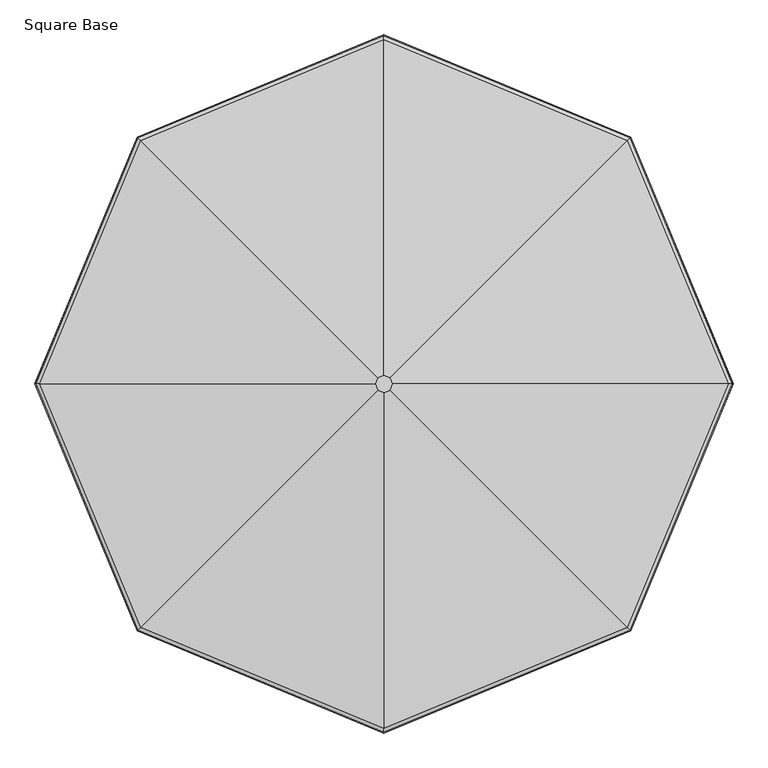
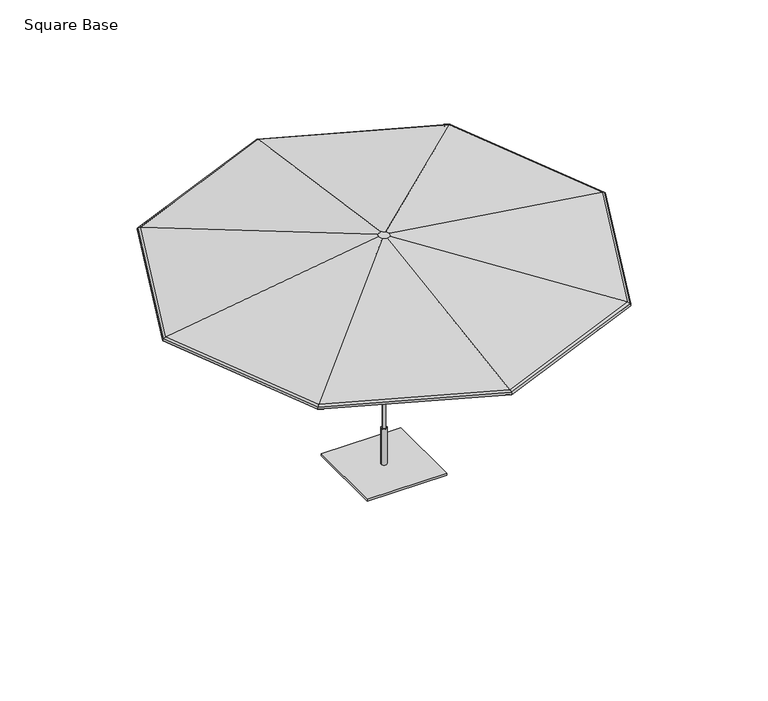
"""IFC4 building model written with IfcOpenShell, lengths in millimetres: furniture geometry, Square Base."""

from ifc_helpers import new_model, si_unit, frame, origin, origin_with_axes, place, context, project, spatial, polyline, circle_curve, ellipse_curve, outline, extrude, source, transform, mapped, element, save
from ifc_brep_helpers import plane_surface, cylinder_surface, revolved_surface, advanced_brep


def square_base_9af06586(model_context):
    return source(origin(), model_context, "Body", "SolidModel", [
        advanced_brep(
        [(45.1473013, -49.177191, 2808.3297455), (1777.9707816, -1782.0006193, 2450.3102328), (2514.4303084, -4.0299408, 2450.3102328), (63.8479036, -4.0299408, 2808.3297455), (1777.9707816, 1773.9407377, 2450.3102328), (45.1473013, 41.1173094, 2808.3297455), (0.0, 2510.4003698, 2450.3102328), (0.0, 59.8179344, 2808.3297455), (-1777.9707816, 1773.9407377, 2450.3102328), (-45.1473013, 41.1173094, 2808.3297455), (-2514.4303084, -4.0299408, 2450.3102328), (-63.8479036, -4.0299408, 2808.3297455), (-1777.9707816, -1782.0006193, 2450.3102328), (-45.1473013, -49.177191, 2808.3297455), (0.0, -2518.4602513, 2450.3102328), (0.0, -67.877816, 2808.3297455), (44.8728133, -48.902703, 2803.765683), (0.0, -67.4896313, 2803.765683), (-44.8728133, -48.902703, 2803.765683), (-63.4597189, -4.0299408, 2803.765683), (-44.8728133, 40.8428214, 2803.765683), (0.0, 59.4297498, 2803.765683), (44.8728133, 40.8428214, 2803.765683), (63.4597189, -4.0299408, 2803.765683), (1777.4251744, -1781.4550121, 2445.8021864), (2513.6587033, -4.0299408, 2445.8021864), (1796.8087591, -1800.8385962, 2431.8908847), (2541.071231, -4.0299408, 2431.8908847), (1799.7904474, -1803.8202844, 2413.6368743), (2545.2879748, -4.0299408, 2413.6368743), (1803.1457838, -1807.1756208, 2412.3647308), (2550.0331371, -4.0299408, 2412.3647308), (1799.4279591, -1803.4577961, 2434.9107454), (2544.775339, -4.0299408, 2434.9107454), (1777.4251744, 1773.3951306, 2445.8021864), (1796.8087591, 1792.7787146, 2431.8908847), (1799.7904474, 1795.7604028, 2413.6368743), (1803.1457838, 1799.1157392, 2412.3647308), (1799.4279591, 1795.3979145, 2434.9107454), (0.0, 2509.6287647, 2445.8021864), (0.0, 2537.0412927, 2431.8908847), (0.0, 2541.2580366, 2413.6368743), (0.0, 2546.0031989, 2412.3647308), (0.0, 2540.7454007, 2434.9107454), (-1777.4251744, 1773.3951306, 2445.8021864), (-1796.8087591, 1792.7787146, 2431.8908847), (-1799.7904474, 1795.7604028, 2413.6368743), (-1803.1457838, 1799.1157392, 2412.3647308), (-1799.4279591, 1795.3979145, 2434.9107454), (-2513.6587033, -4.0299408, 2445.8021864), (-2541.071231, -4.0299408, 2431.8908847), (-2545.2879748, -4.0299408, 2413.6368743), (-2550.0331371, -4.0299408, 2412.3647308), (-2544.775339, -4.0299408, 2434.9107454), (-1777.4251744, -1781.4550121, 2445.8021864), (-1796.8087591, -1800.8385962, 2431.8908847), (-1799.7904474, -1803.8202844, 2413.6368743), (-1803.1457838, -1807.1756208, 2412.3647308), (-1799.4279591, -1803.4577961, 2434.9107454), (0.0, -2517.6886462, 2445.8021864), (0.0, -2545.1011742, 2431.8908847), (0.0, -2549.3179182, 2413.6368743), (0.0, -2554.0630804, 2412.3647308), (0.0, -2548.8052823, 2434.9107454)],
        [
            (0, 1),
            (1, 2),
            (2, 3),
            (3, 0),
            (2, 4),
            (4, 5),
            (5, 3),
            (4, 6),
            (6, 7),
            (7, 5),
            (6, 8),
            (8, 9),
            (9, 7),
            (8, 10),
            (10, 11),
            (11, 9),
            (10, 12),
            (12, 13),
            (13, 11),
            (12, 14),
            (14, 15),
            (15, 13),
            (15, 0),
            (16, 17),
            (17, 18),
            (18, 19),
            (19, 20),
            (20, 21),
            (21, 22),
            (22, 23),
            (23, 16),
            (14, 1),
            (24, 16),
            (23, 25),
            (25, 24),
            (26, 24, ellipse_curve(frame((1772.3249333, -1776.3547712, 2403.6617523), z_axis=(-0.7071067705718669, -0.7071067918012278, 0.0), x_axis=(-0.7071067918012273, 0.7071067705718675, 0.0)), 46.1792486, 42.6640625)),
            (25, 27, ellipse_curve(frame((2506.4458734, -4.0299408, 2403.6617523), z_axis=(0.0, 1.0, 0.0), x_axis=(1.0, 0.0, 0.0)), 46.1792481, 42.6640625)),
            (27, 26),
            (28, 26, ellipse_curve(frame((1785.891869, -1789.9217065, 2419.3040309), z_axis=(-0.7071067705718669, -0.7071067918012278, 0.0), x_axis=(-0.7071067918012273, 0.7071067705718675, 0.0)), 20.5904823, 19.0231251)),
            (27, 29, ellipse_curve(frame((2525.6324174, -4.0299408, 2419.3040309), z_axis=(0.0, 1.0, 0.0), x_axis=(1.0, 0.0, 0.0)), 20.5904821, 19.0231251)),
            (29, 28),
            (30, 28, ellipse_curve(frame((1801.4759987, -1805.5058357, 2413.0362967), z_axis=(0.7071067705718669, 0.7071067918012278, 0.0), x_axis=(0.7071067918012273, -0.7071067705718675, 0.0)), 2.4707782, 2.2827014)),
            (29, 31, ellipse_curve(frame((2547.6717043, -4.0299408, 2413.0362967), z_axis=(0.0, -1.0, 0.0), x_axis=(-1.0, 0.0, 0.0)), 2.4707782, 2.2827014)),
            (31, 30),
            (32, 30, ellipse_curve(frame((1785.891869, -1789.9217065, 2419.3040309), z_axis=(0.7071067705718669, 0.7071067918012278, 0.0), x_axis=(0.7071067918012273, -0.7071067705718675, 0.0)), 25.5305879, 23.5871876)),
            (31, 33, ellipse_curve(frame((2525.6324174, -4.0299408, 2419.3040309), z_axis=(0.0, -1.0, 0.0), x_axis=(-1.0, 0.0, 0.0)), 25.5305877, 23.5871876)),
            (33, 32),
            (1, 32, ellipse_curve(frame((1772.3249333, -1776.3547712, 2403.6617523), z_axis=(0.7071067705718669, 0.7071067918012278, 0.0), x_axis=(0.7071067918012273, -0.7071067705718675, 0.0)), 51.1193542, 47.228125)),
            (33, 2, ellipse_curve(frame((2506.4458734, -4.0299408, 2403.6617523), z_axis=(0.0, -1.0, 0.0), x_axis=(-1.0, 0.0, 0.0)), 51.1193537, 47.228125)),
            (22, 34),
            (34, 25),
            (34, 35, ellipse_curve(frame((1772.3249333, 1768.2948896, 2403.6617523), z_axis=(-0.707106770571867, 0.707106791801228, 0.0), x_axis=(0.7071067918012285, 0.7071067705718665, 0.0)), 46.1792486, 42.6640625)),
            (35, 27),
            (35, 36, ellipse_curve(frame((1785.891869, 1781.8618249, 2419.3040309), z_axis=(-0.707106770571867, 0.707106791801228, 0.0), x_axis=(0.7071067918012285, 0.7071067705718665, 0.0)), 20.5904823, 19.0231251)),
            (36, 29),
            (36, 37, ellipse_curve(frame((1801.4759987, 1797.4459541, 2413.0362967), z_axis=(0.707106770571867, -0.707106791801228, 0.0), x_axis=(-0.7071067918012285, -0.7071067705718665, 0.0)), 2.4707782, 2.2827014)),
            (37, 31),
            (37, 38, ellipse_curve(frame((1785.891869, 1781.8618249, 2419.3040309), z_axis=(0.707106770571867, -0.707106791801228, 0.0), x_axis=(-0.7071067918012285, -0.7071067705718665, 0.0)), 25.5305879, 23.5871876)),
            (38, 33),
            (38, 4, ellipse_curve(frame((1772.3249333, 1768.2948896, 2403.6617523), z_axis=(0.707106770571867, -0.707106791801228, 0.0), x_axis=(-0.7071067918012285, -0.7071067705718665, 0.0)), 51.1193542, 47.228125)),
            (21, 39),
            (39, 34),
            (39, 40, ellipse_curve(frame((0.0, 2502.4159347, 2403.6617523), z_axis=(-1.0, 0.0, 0.0), x_axis=(0.0, 1.0, 0.0)), 46.1792487, 42.6640625)),
            (40, 35),
            (40, 41, ellipse_curve(frame((0.0, 2521.6024789, 2419.3040309), z_axis=(-1.0, 0.0, 0.0), x_axis=(0.0, 1.0, 0.0)), 20.5904823, 19.0231251)),
            (41, 36),
            (41, 42, ellipse_curve(frame((0.0, 2543.6417661, 2413.0362967), z_axis=(1.0, 0.0, 0.0), x_axis=(0.0, -1.0, 0.0)), 2.4707782, 2.2827014)),
            (42, 37),
            (42, 43, ellipse_curve(frame((0.0, 2521.6024789, 2419.3040309), z_axis=(1.0, 0.0, 0.0), x_axis=(0.0, -1.0, 0.0)), 25.530588, 23.5871876)),
            (43, 38),
            (43, 6, ellipse_curve(frame((0.0, 2502.4159347, 2403.6617523), z_axis=(1.0, 0.0, 0.0), x_axis=(0.0, -1.0, 0.0)), 51.1193543, 47.228125)),
            (20, 44),
            (44, 39),
            (44, 45, ellipse_curve(frame((-1772.3249333, 1768.2948896, 2403.6617523), z_axis=(-0.7071067705718668, -0.7071067918012279, 0.0), x_axis=(-0.7071067918012285, 0.7071067705718664, 0.0)), 46.1792486, 42.6640625)),
            (45, 40),
            (45, 46, ellipse_curve(frame((-1785.891869, 1781.8618249, 2419.3040309), z_axis=(-0.7071067705718668, -0.7071067918012279, 0.0), x_axis=(-0.7071067918012285, 0.7071067705718664, 0.0)), 20.5904823, 19.0231251)),
            (46, 41),
            (46, 47, ellipse_curve(frame((-1801.4759987, 1797.4459541, 2413.0362967), z_axis=(0.7071067705718668, 0.7071067918012279, 0.0), x_axis=(0.7071067918012285, -0.7071067705718664, 0.0)), 2.4707782, 2.2827014)),
            (47, 42),
            (47, 48, ellipse_curve(frame((-1785.891869, 1781.8618249, 2419.3040309), z_axis=(0.7071067705718668, 0.7071067918012279, 0.0), x_axis=(0.7071067918012285, -0.7071067705718664, 0.0)), 25.5305879, 23.5871876)),
            (48, 43),
            (48, 8, ellipse_curve(frame((-1772.3249333, 1768.2948896, 2403.6617523), z_axis=(0.7071067705718668, 0.7071067918012279, 0.0), x_axis=(0.7071067918012285, -0.7071067705718664, 0.0)), 51.1193542, 47.228125)),
            (19, 49),
            (49, 44),
            (49, 50, ellipse_curve(frame((-2506.4458734, -4.0299408, 2403.6617523), z_axis=(0.0, -1.0, 0.0), x_axis=(-1.0, 0.0, 0.0)), 46.1792481, 42.6640625)),
            (50, 45),
            (50, 51, ellipse_curve(frame((-2525.6324174, -4.0299408, 2419.3040309), z_axis=(0.0, -1.0, 0.0), x_axis=(-1.0, 0.0, 0.0)), 20.5904821, 19.0231251)),
            (51, 46),
            (51, 52, ellipse_curve(frame((-2547.6717043, -4.0299408, 2413.0362967), z_axis=(0.0, 1.0, 0.0), x_axis=(1.0, 0.0, 0.0)), 2.4707782, 2.2827014)),
            (52, 47),
            (52, 53, ellipse_curve(frame((-2525.6324174, -4.0299408, 2419.3040309), z_axis=(0.0, 1.0, 0.0), x_axis=(1.0, 0.0, 0.0)), 25.5305877, 23.5871876)),
            (53, 48),
            (53, 10, ellipse_curve(frame((-2506.4458734, -4.0299408, 2403.6617523), z_axis=(0.0, 1.0, 0.0), x_axis=(1.0, 0.0, 0.0)), 51.1193537, 47.228125)),
            (18, 54),
            (54, 49),
            (54, 55, ellipse_curve(frame((-1772.3249333, -1776.3547712, 2403.6617523), z_axis=(0.707106770571867, -0.7071067918012278, 0.0), x_axis=(-0.7071067918012279, -0.7071067705718671, 0.0)), 46.1792486, 42.6640625)),
            (55, 50),
            (55, 56, ellipse_curve(frame((-1785.891869, -1789.9217065, 2419.3040309), z_axis=(0.707106770571867, -0.7071067918012278, 0.0), x_axis=(-0.7071067918012279, -0.7071067705718671, 0.0)), 20.5904823, 19.0231251)),
            (56, 51),
            (56, 57, ellipse_curve(frame((-1801.4759987, -1805.5058357, 2413.0362967), z_axis=(-0.707106770571867, 0.7071067918012278, 0.0), x_axis=(0.7071067918012279, 0.7071067705718671, 0.0)), 2.4707782, 2.2827014)),
            (57, 52),
            (57, 58, ellipse_curve(frame((-1785.891869, -1789.9217065, 2419.3040309), z_axis=(-0.707106770571867, 0.7071067918012278, 0.0), x_axis=(0.7071067918012279, 0.7071067705718671, 0.0)), 25.5305879, 23.5871876)),
            (58, 53),
            (58, 12, ellipse_curve(frame((-1772.3249333, -1776.3547712, 2403.6617523), z_axis=(-0.707106770571867, 0.7071067918012278, 0.0), x_axis=(0.7071067918012279, 0.7071067705718671, 0.0)), 51.1193542, 47.228125)),
            (17, 59),
            (59, 54),
            (59, 60, ellipse_curve(frame((0.0, -2510.4758162, 2403.6617523), z_axis=(1.0, 0.0, 0.0), x_axis=(0.0, -1.0, 0.0)), 46.1792487, 42.6640625)),
            (60, 55),
            (60, 61, ellipse_curve(frame((0.0, -2529.6623604, 2419.3040309), z_axis=(1.0, 0.0, 0.0), x_axis=(0.0, -1.0, 0.0)), 20.5904823, 19.0231251)),
            (61, 56),
            (61, 62, ellipse_curve(frame((0.0, -2551.7016477, 2413.0362967), z_axis=(-1.0, 0.0, 0.0), x_axis=(0.0, 1.0, 0.0)), 2.4707782, 2.2827014)),
            (62, 57),
            (62, 63, ellipse_curve(frame((0.0, -2529.6623604, 2419.3040309), z_axis=(-1.0, 0.0, 0.0), x_axis=(0.0, 1.0, 0.0)), 25.530588, 23.5871876)),
            (63, 58),
            (63, 14, ellipse_curve(frame((0.0, -2510.4758162, 2403.6617523), z_axis=(-1.0, 0.0, 0.0), x_axis=(0.0, 1.0, 0.0)), 51.1193543, 47.228125)),
            (24, 59),
            (26, 60),
            (28, 61),
            (30, 62),
            (32, 63),
        ],
        [
            plane_surface(frame((1777.9707816, -1782.0006193, 2450.3102328), z_axis=(0.14430260932390854, -0.059772094479706925, 0.9877267100083001), x_axis=(0.3826834138500074, 0.9238795401804848, 0.0))),
            plane_surface(frame((2514.4303084, -4.0299408, 2450.3102328), z_axis=(0.1443026093239085, 0.05977209447970692, 0.9877267100083003), x_axis=(-0.3826834138500075, 0.9238795401804848, 0.0))),
            plane_surface(frame((1777.9707816, 1773.9407377, 2450.3102328), z_axis=(0.05977209881208568, 0.14430260752937665, 0.9877267100083005), x_axis=(-0.9238795286912377, 0.38268344158750417, 0.0))),
            plane_surface(frame((0.0, 2510.4003698, 2450.3102328), z_axis=(-0.0597720988120857, 0.14430260752937668, 0.9877267100083004), x_axis=(-0.9238795286912376, -0.3826834415875042, 0.0))),
            plane_surface(frame((-1777.9707816, 1773.9407377, 2450.3102328), z_axis=(-0.1443026093239085, 0.0597720944797069, 0.9877267100083), x_axis=(-0.3826834138500073, -0.9238795401804848, 0.0))),
            plane_surface(frame((-2514.4303084, -4.0299408, 2450.3102328), z_axis=(-0.1443026093239085, -0.059772094479706904, 0.9877267100083001), x_axis=(0.38268341385000737, -0.9238795401804848, 0.0))),
            plane_surface(frame((-1777.9707816, -1782.0006193, 2450.3102328), z_axis=(-0.05977209881208568, -0.14430260752937663, 0.9877267100083005), x_axis=(0.9238795286912376, -0.3826834415875042, 0.0))),
            plane_surface(frame((0.0, -67.877816, 2808.3297455), z_axis=(0.0, 0.0, 1.0000000000000002), x_axis=(0.92387952869124, 0.3826834415874985, 0.0))),
            plane_surface(frame((0.0, -4.1939137, 2803.765683), z_axis=(0.0, 0.0, -1.0000000000000002), x_axis=(0.9238795286912376, 0.38268344158750434, 0.0))),
            plane_surface(frame((0.0, -2518.4602513, 2450.3102328), z_axis=(0.05977209881208571, -0.14430260752937665, 0.9877267100083004), x_axis=(0.9238795286912376, 0.38268344158750434, 0.0))),
            plane_surface(frame((44.8728133, -48.902703, 2803.765683), z_axis=(-0.14430260932390412, 0.05977209447971757, -0.9877267100083001), x_axis=(0.3826834138500039, 0.9238795401804862, 0.0))),
            revolved_surface(polyline([(2473.7922125929476, 28.623717379706704, 2403.6617523), (1726.1456847265435, -1776.354772368696, 2403.6617523)]), (1770.2008532, -1781.4827545, 2403.6617523), (0.3826834138500075, 0.9238795401804849, 0.0)),
            revolved_surface(polyline([(2511.0727472573535, 10.529728153093401, 2419.3040309), (1765.3013866905512, -1789.9217070122843, 2419.3040309)]), (1786.5775931, -1788.2662219, 2419.3040309), (0.3826834138500075, 0.9238795401804849, 0.0)),
            cylinder_surface(frame((1805.3893016, -1796.0582862, 2413.0362967), z_axis=(-0.3826834138500075, -0.9238795401804849, 0.0), x_axis=(-0.9238795401804849, 0.3826834138500075, 0.0)), 2.2827014),
            cylinder_surface(frame((1786.5775931, -1788.2662219, 2419.3040309), z_axis=(-0.3826834138500075, -0.9238795401804849, 0.0), x_axis=(-0.9238795401804849, 0.3826834138500075, 0.0)), 23.5871876),
            cylinder_surface(frame((1770.2008532, -1781.4827545, 2403.6617523), z_axis=(-0.3826834138500075, -0.9238795401804849, 0.0), x_axis=(-0.9238795401804849, 0.3826834138500075, 0.0)), 47.228125),
            plane_surface(frame((63.4597189, -4.0299408, 2803.765683), z_axis=(-0.14430260932391245, -0.05977209447969742, -0.9877267100083), x_axis=(-0.3826834138500052, 0.9238795401804857, 0.0))),
            revolved_surface(polyline([(1726.1456847911236, 1768.2948907954465, 2403.6617523), (2473.792212657527, -36.68359895295626, 2403.6617523)]), (2508.5699534, -9.1579237, 2403.6617523), (-0.3826834138500073, 0.9238795401804848, 0.0)),
            revolved_surface(polyline([(1765.3013867551308, 1781.8618254390342, 2419.3040309), (2511.0727473219326, -18.589609726343163, 2419.3040309)]), (2524.9466933, -2.3744563, 2419.3040309), (-0.3826834138500073, 0.9238795401804848, 0.0)),
            cylinder_surface(frame((2543.7584017, 5.417608, 2413.0362967), z_axis=(0.3826834138500073, -0.9238795401804848, 0.0), x_axis=(-0.9238795401804848, -0.3826834138500073, 0.0)), 2.2827014),
            cylinder_surface(frame((2524.9466933, -2.3744563, 2419.3040309), z_axis=(0.3826834138500073, -0.9238795401804848, 0.0), x_axis=(-0.9238795401804848, -0.3826834138500073, 0.0)), 23.5871876),
            cylinder_surface(frame((2508.5699534, -9.1579237, 2403.6617523), z_axis=(0.3826834138500073, -0.9238795401804848, 0.0), x_axis=(-0.9238795401804848, -0.3826834138500073, 0.0)), 47.228125),
            plane_surface(frame((44.8728133, 40.8428214, 2803.765683), z_axis=(-0.05977209881211413, -0.14430260752936488, -0.9877267100083005), x_axis=(-0.9238795286912357, 0.382683441587509, 0.0))),
            revolved_surface(polyline([(-32.65366054051833, 2469.762275487732, 2403.6617523), (1772.3249331106792, 1722.1156410951446, 2403.6617523)]), (1777.4529166, 1766.1708094, 2403.6617523), (-0.9238795286912376, 0.38268344158750417, 0.0)),
            revolved_surface(polyline([(-14.559669971994254, 2507.0428094823683, 2419.3040309), (1785.8918689088669, 1761.2713426262042, 2419.3040309)]), (1784.2363844, 1782.5475491, 2419.3040309), (-0.9238795286912376, 0.38268344158750417, 0.0)),
            cylinder_surface(frame((1792.0284493, 1801.3592573, 2413.0362967), z_axis=(0.9238795286912376, -0.38268344158750417, 0.0), x_axis=(-0.38268344158750417, -0.9238795286912376, 0.0)), 2.2827014),
            cylinder_surface(frame((1784.2363844, 1782.5475491, 2419.3040309), z_axis=(0.9238795286912376, -0.38268344158750417, 0.0), x_axis=(-0.38268344158750417, -0.9238795286912376, 0.0)), 23.5871876),
            cylinder_surface(frame((1777.4529166, 1766.1708094, 2403.6617523), z_axis=(0.9238795286912376, -0.38268344158750417, 0.0), x_axis=(-0.38268344158750417, -0.9238795286912376, 0.0)), 47.228125),
            plane_surface(frame((0.0, 59.4297498, 2803.765683), z_axis=(0.059772098812093805, -0.14430260752937327, -0.9877267100083005), x_axis=(-0.9238795286912356, -0.3826834415875091, 0.0))),
            revolved_surface(polyline([(-1772.3249331060758, 1722.115641084029, 2403.6617523), (32.653660545122115, 2469.7622754766167, 2403.6617523)]), (5.1279833, 2504.540015, 2403.6617523), (-0.9238795286912376, -0.3826834415875045, 0.0)),
            revolved_surface(polyline([(-1785.8918689189081, 1761.2713426504438, 2419.3040309), (14.559669961953581, 2507.042809506609, 2419.3040309)]), (-1.6554846, 2520.9167547, 2419.3040309), (-0.9238795286912376, -0.3826834415875045, 0.0)),
            cylinder_surface(frame((-9.4475495, 2539.7284629, 2413.0362967), z_axis=(0.9238795286912376, 0.3826834415875045, 0.0), x_axis=(0.3826834415875045, -0.9238795286912376, 0.0)), 2.2827014),
            cylinder_surface(frame((-1.6554846, 2520.9167547, 2419.3040309), z_axis=(0.9238795286912376, 0.3826834415875045, 0.0), x_axis=(0.3826834415875045, -0.9238795286912376, 0.0)), 23.5871876),
            cylinder_surface(frame((5.1279833, 2504.540015, 2403.6617523), z_axis=(0.9238795286912376, 0.3826834415875045, 0.0), x_axis=(0.3826834415875045, -0.9238795286912376, 0.0)), 47.228125),
            plane_surface(frame((-44.8728133, 40.8428214, 2803.765683), z_axis=(0.14430260932391242, -0.05977209447969746, -0.9877267100083), x_axis=(-0.38268341385000554, -0.9238795401804856, 0.0))),
            revolved_surface(polyline([(-2473.792212592947, -36.683598979706176, 2403.6617523), (-1726.1456847265433, 1768.2948907686962, 2403.6617523)]), (-1770.2008532, 1773.4228729, 2403.6617523), (-0.3826834138500073, -0.9238795401804848, 0.0)),
            revolved_surface(polyline([(-2511.0727472573535, -18.589609753092873, 2419.3040309), (-1765.3013866905512, 1781.8618254122841, 2419.3040309)]), (-1786.5775931, 1780.2063403, 2419.3040309), (-0.3826834138500073, -0.9238795401804848, 0.0)),
            cylinder_surface(frame((-1805.3893016, 1787.9984046, 2413.0362967), z_axis=(0.3826834138500073, 0.9238795401804848, 0.0), x_axis=(0.9238795401804848, -0.3826834138500073, 0.0)), 2.2827014),
            cylinder_surface(frame((-1786.5775931, 1780.2063403, 2419.3040309), z_axis=(0.3826834138500073, 0.9238795401804848, 0.0), x_axis=(0.9238795401804848, -0.3826834138500073, 0.0)), 23.5871876),
            cylinder_surface(frame((-1770.2008532, 1773.4228729, 2403.6617523), z_axis=(0.3826834138500073, 0.9238795401804848, 0.0), x_axis=(0.9238795401804848, -0.3826834138500073, 0.0)), 47.228125),
            plane_surface(frame((-63.4597189, -4.0299408, 2803.765683), z_axis=(0.14430260932391195, 0.05977209447969856, -0.9877267100083003), x_axis=(0.38268341385001264, -0.9238795401804827, 0.0))),
            revolved_surface(polyline([(-1726.1456847911234, -1776.3547723954462, 2403.6617523), (-2473.792212657527, 28.623717352956266, 2403.6617523)]), (-2508.5699534, 1.0980421, 2403.6617523), (0.3826834138500074, -0.9238795401804848, 0.0)),
            revolved_surface(polyline([(-1765.301386719775, -1789.9217070243892, 2419.3040309), (-2511.0727472865774, 10.529728140987826, 2419.3040309)]), (-2524.9466933, -5.6854252, 2419.3040309), (0.3826834138500074, -0.9238795401804848, 0.0)),
            cylinder_surface(frame((-2543.7584017, -13.4774896, 2413.0362967), z_axis=(-0.3826834138500074, 0.9238795401804848, 0.0), x_axis=(0.9238795401804848, 0.3826834138500074, 0.0)), 2.2827014),
            cylinder_surface(frame((-2524.9466933, -5.6854252, 2419.3040309), z_axis=(-0.3826834138500074, 0.9238795401804848, 0.0), x_axis=(0.9238795401804848, 0.3826834138500074, 0.0)), 23.5871876),
            cylinder_surface(frame((-2508.5699534, 1.0980421, 2403.6617523), z_axis=(-0.3826834138500074, 0.9238795401804848, 0.0), x_axis=(0.9238795401804848, 0.3826834138500074, 0.0)), 47.228125),
            plane_surface(frame((-44.8728133, -48.902703, 2803.765683), z_axis=(0.05977209881209399, 0.14430260752937313, -0.9877267100083005), x_axis=(0.923879528691235, -0.38268344158751044, 0.0))),
            revolved_surface(polyline([(32.6536605405181, -2477.8221569877314, 2403.6617523), (-1772.3249330753238, -1730.1755226097891, 2403.6617523)]), (-1777.4529166, -1774.2306909, 2403.6617523), (0.9238795286912376, -0.3826834415875041, 0.0)),
            revolved_surface(polyline([(14.559669971994254, -2515.1026909823686, 2419.3040309), (-1785.8918688735116, -1769.3312241408487, 2419.3040309)]), (-1784.2363844, -1790.6074306, 2419.3040309), (0.9238795286912376, -0.3826834415875041, 0.0)),
            cylinder_surface(frame((-1792.0284493, -1809.4191388, 2413.0362967), z_axis=(-0.9238795286912376, 0.3826834415875041, 0.0), x_axis=(0.3826834415875041, 0.9238795286912376, 0.0)), 2.2827014),
            cylinder_surface(frame((-1784.2363844, -1790.6074306, 2419.3040309), z_axis=(-0.9238795286912376, 0.3826834415875041, 0.0), x_axis=(0.3826834415875041, 0.9238795286912376, 0.0)), 23.5871876),
            cylinder_surface(frame((-1777.4529166, -1774.2306909, 2403.6617523), z_axis=(-0.9238795286912376, 0.3826834415875041, 0.0), x_axis=(0.3826834415875041, 0.9238795286912376, 0.0)), 47.228125),
            plane_surface(frame((0.0, -67.4896313, 2803.765683), z_axis=(-0.059772098812092535, 0.14430260752937368, -0.9877267100083005), x_axis=(0.9238795286912389, 0.3826834415875013, 0.0))),
            revolved_surface(polyline([(1772.3249330707204, -1730.1755225986735, 2403.6617523), (-32.653660545122115, -2477.8221569766165, 2403.6617523)]), (-5.1279833, -2512.5998965, 2403.6617523), (0.9238795286912376, 0.3826834415875045, 0.0)),
            revolved_surface(polyline([(1785.8918688835527, -1769.3312241650883, 2419.3040309), (-14.559669961953741, -2515.102691006609, 2419.3040309)]), (1.6554846, -2528.9766362, 2419.3040309), (0.9238795286912376, 0.3826834415875045, 0.0)),
            cylinder_surface(frame((9.4475495, -2547.7883444, 2413.0362967), z_axis=(-0.9238795286912376, -0.3826834415875045, 0.0), x_axis=(-0.3826834415875045, 0.9238795286912376, 0.0)), 2.2827014),
            cylinder_surface(frame((1.6554846, -2528.9766362, 2419.3040309), z_axis=(-0.9238795286912376, -0.3826834415875045, 0.0), x_axis=(-0.3826834415875045, 0.9238795286912376, 0.0)), 23.5871876),
            cylinder_surface(frame((-5.1279833, -2512.5998965, 2403.6617523), z_axis=(-0.9238795286912376, -0.3826834415875045, 0.0), x_axis=(-0.3826834415875045, 0.9238795286912376, 0.0)), 47.228125),
        ],
        [
            (0, [[1, 2, 3, 4]]),
            (1, [[-3, 5, 6, 7]]),
            (2, [[-6, 8, 9, 10]]),
            (3, [[-9, 11, 12, 13]]),
            (4, [[-12, 14, 15, 16]]),
            (5, [[-15, 17, 18, 19]]),
            (6, [[-18, 20, 21, 22]]),
            (7, [[-19, -22, 23, -4, -7, -10, -13, -16]]),
            (8, [[24, 25, 26, 27, 28, 29, 30, 31]]),
            (9, [[-21, 32, -1, -23]]),
            (10, [[33, -31, 34, 35]]),
            (11, [[36, -35, 37, 38]]),
            (12, [[39, -38, 40, 41]]),
            (13, [[42, -41, 43, 44]]),
            (14, [[45, -44, 46, 47]]),
            (15, [[48, -47, 49, -2]]),
            (16, [[-34, -30, 50, 51]]),
            (17, [[-37, -51, 52, 53]]),
            (18, [[-40, -53, 54, 55]]),
            (19, [[-43, -55, 56, 57]]),
            (20, [[-46, -57, 58, 59]]),
            (21, [[-49, -59, 60, -5]]),
            (22, [[-50, -29, 61, 62]]),
            (23, [[-52, -62, 63, 64]]),
            (24, [[-54, -64, 65, 66]]),
            (25, [[-56, -66, 67, 68]]),
            (26, [[-58, -68, 69, 70]]),
            (27, [[-60, -70, 71, -8]]),
            (28, [[-61, -28, 72, 73]]),
            (29, [[-63, -73, 74, 75]]),
            (30, [[-65, -75, 76, 77]]),
            (31, [[-67, -77, 78, 79]]),
            (32, [[-69, -79, 80, 81]]),
            (33, [[-71, -81, 82, -11]]),
            (34, [[-72, -27, 83, 84]]),
            (35, [[-74, -84, 85, 86]]),
            (36, [[-76, -86, 87, 88]]),
            (37, [[-78, -88, 89, 90]]),
            (38, [[-80, -90, 91, 92]]),
            (39, [[-82, -92, 93, -14]]),
            (40, [[-83, -26, 94, 95]]),
            (41, [[-85, -95, 96, 97]]),
            (42, [[-87, -97, 98, 99]]),
            (43, [[-89, -99, 100, 101]]),
            (44, [[-91, -101, 102, 103]]),
            (45, [[-93, -103, 104, -17]]),
            (46, [[-94, -25, 105, 106]]),
            (47, [[-96, -106, 107, 108]]),
            (48, [[-98, -108, 109, 110]]),
            (49, [[-100, -110, 111, 112]]),
            (50, [[-102, -112, 113, 114]]),
            (51, [[-104, -114, 115, -20]]),
            (52, [[-105, -24, -33, 116]]),
            (53, [[-107, -116, -36, 117]]),
            (54, [[-109, -117, -39, 118]]),
            (55, [[-111, -118, -42, 119]]),
            (56, [[-113, -119, -45, 120]]),
            (57, [[-115, -120, -48, -32]]),
        ],
    ),
        advanced_brep(
        [(-19.05, -4.0299408, 463.5500121), (19.05, -4.0299408, 463.5500121), (31.7499992, -4.0299408, 463.5500121), (-31.7499992, -4.0299408, 463.5500121), (-19.05, -4.0299408, 2063.75), (19.05, -4.0299408, 2063.75), (0.0, -4.0299408, 2063.75), (-31.7499992, -4.0299408, 25.4), (31.7499992, -4.0299408, 25.4), (0.0, -4.0299408, 25.4)],
        [
            (0, 1, circle_curve(frame((0.0, -4.0299408, 463.5500121), z_axis=(0.0, 0.0, -1.0), x_axis=(1.0, 0.0, 0.0)), 19.05)),
            (1, 2),
            (2, 3, circle_curve(frame((0.0, -4.0299408, 463.5500121), z_axis=(0.0, 0.0, 1.0), x_axis=(1.0, 0.0, 0.0)), 31.7499992)),
            (3, 0),
            (1, 0, circle_curve(frame((0.0, -4.0299408, 463.5500121), z_axis=(0.0, 0.0, -1.0), x_axis=(1.0, 0.0, 0.0)), 19.05)),
            (3, 2, circle_curve(frame((0.0, -4.0299408, 463.5500121), z_axis=(0.0, 0.0, 1.0), x_axis=(1.0, 0.0, 0.0)), 31.7499992)),
            (4, 5, circle_curve(frame((0.0, -4.0299408, 2063.75), z_axis=(0.0, 0.0, -1.0), x_axis=(1.0, 0.0, 0.0)), 19.05)),
            (5, 1),
            (0, 4),
            (5, 4, circle_curve(frame((0.0, -4.0299408, 2063.75), z_axis=(0.0, 0.0, -1.0), x_axis=(1.0, 0.0, 0.0)), 19.05)),
            (6, 5),
            (4, 6),
            (7, 8, circle_curve(frame((0.0, -4.0299408, 25.4), z_axis=(0.0, 0.0, -1.0), x_axis=(1.0, 0.0, 0.0)), 31.7499992)),
            (8, 9),
            (9, 7),
            (8, 7, circle_curve(frame((0.0, -4.0299408, 25.4), z_axis=(0.0, 0.0, -1.0), x_axis=(1.0, 0.0, 0.0)), 31.7499992)),
            (2, 8),
            (7, 3),
        ],
        [
            plane_surface(frame((0.0, -4.0299408, 463.5500121), z_axis=(0.0, 0.0, 1.0), x_axis=(1.0, 0.0, 0.0))),
            cylinder_surface(frame((0.0, -4.0299408, 2927.35), z_axis=(0.0, 0.0, 1.0), x_axis=(1.0, 0.0, 0.0)), 19.05),
            plane_surface(frame((0.0, -4.0299408, 2063.75), z_axis=(0.0, 0.0, 1.0), x_axis=(1.0, 0.0, 0.0))),
            plane_surface(frame((0.0, -4.0299408, 25.4), z_axis=(0.0, 0.0, -1.0), x_axis=(1.0, 0.0, 0.0))),
            cylinder_surface(frame((0.0, -4.0299408, 2927.35), z_axis=(0.0, 0.0, 1.0), x_axis=(1.0, 0.0, 0.0)), 31.7499992),
        ],
        [
            (0, [[1, 2, 3, 4]]),
            (0, [[5, -4, 6, -2]]),
            (1, [[7, 8, -1, 9]]),
            (1, [[10, -9, -5, -8]]),
            (2, [[11, -7, 12]]),
            (2, [[-12, -10, -11]]),
            (3, [[13, 14, 15]]),
            (3, [[16, -15, -14]]),
            (4, [[-3, 17, -13, 18]]),
            (4, [[-6, -18, -16, -17]]),
        ],
    ),
        extrude(outline(polyline([(457.2, 453.1700592), (457.2, -461.2299408), (-457.2, -461.2299408), (-457.2, 453.1700592), (457.2, 453.1700592)])), origin_with_axes(), (0.0, 0.0, 1.0), 25.4),
    ])


if __name__ == "__main__":
    model = new_model("IFC4")
    model_context = context("Model", 3, world=origin())
    ifc_project = project(units=[si_unit("LENGTHUNIT", "METRE", prefix="MILLI")], contexts=[model_context])
    site = spatial("IfcSite", under=ifc_project)
    building = spatial("IfcBuilding", under=site)
    placement = place(None, origin())
    square_base_shape = square_base_9af06586(model_context)
    element("IfcFurniture", 1, ObjectType="Square Base", at=placement, inside=building, context=model_context, shape_type="MappedRepresentation", body=[
        mapped(square_base_shape, transform((0.0, 0.0, 0.0), x_axis=(1.0, 0.0, 0.0), y_axis=(0.0, 1.0, 0.0), z_axis=(0.0, 0.0, 1.0))),
    ])
    save(model, "model.ifc")
